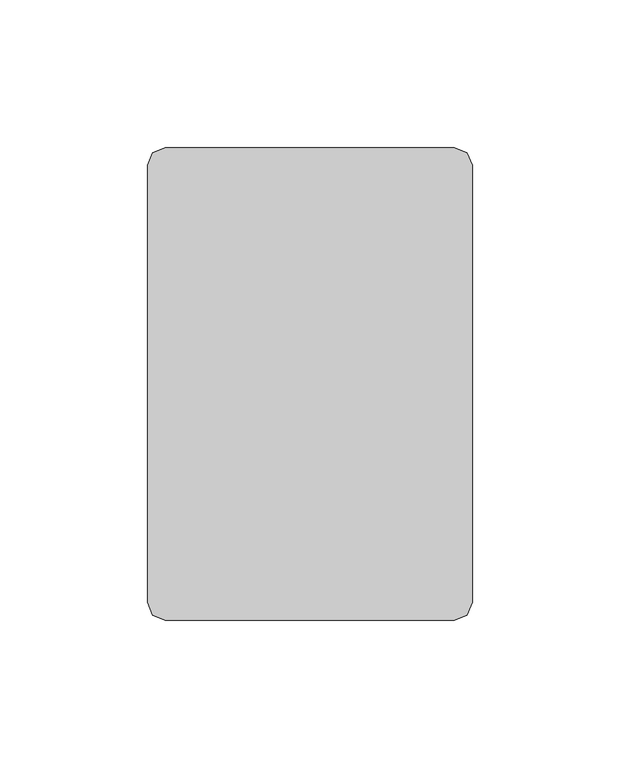
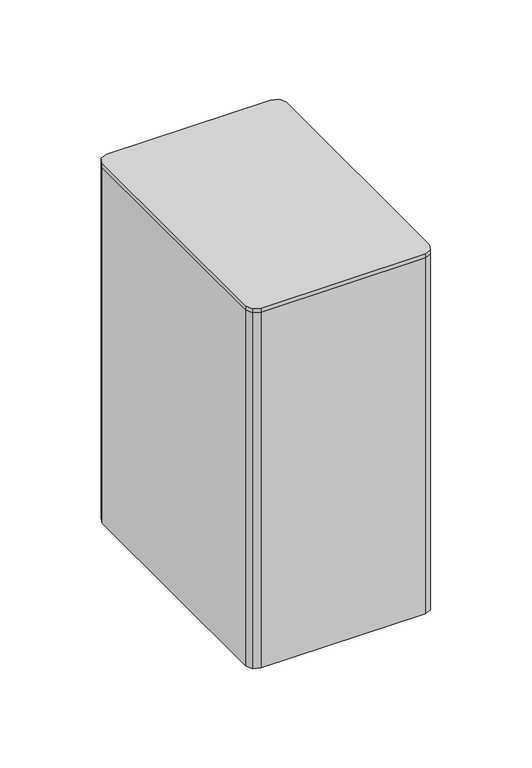
"""IFC4 building model written with IfcOpenShell, lengths in millimetres: furniture geometry."""

from ifc_helpers import new_model, si_unit, frame, origin, place, context, project, spatial, polyline, outline, extrude, faceted_brep, source, transform, mapped, element, save


def furniture_04398687(model_context):
    return source(origin(), model_context, "Body", "SolidModel", [
        extrude(outline(polyline([(-48.9999978, 80.0000042), (48.9999978, 80.0000042), (53.2426395, 78.2426442), (54.9999995, 73.999998), (54.9999995, -73.999998), (53.2426395, -78.2426442), (48.9999978, -80.0000042), (-48.9999978, -80.0000042), (-53.2426395, -78.2426442), (-54.9999995, -73.999998), (-54.9999995, 73.999998), (-53.2426395, 78.2426442), (-48.9999978, 80.0000042)])), frame((0.0, 0.0, 313.1950298), z_axis=(0.0, 0.0, 1.0), x_axis=(1.0, 0.0, 0.0)), (0.0, 0.0, 1.0), 2.659358),
        extrude(outline(polyline([(-48.9999978, 80.0000042), (48.9999978, 80.0000042), (53.2426395, 78.2426442), (54.9999995, 73.999998), (54.9999995, -73.999998), (53.2426395, -78.2426442), (48.9999978, -80.0000042), (-48.9999978, -80.0000042), (-53.2426395, -78.2426442), (-54.9999995, -73.999998), (-54.9999995, 73.999998), (-53.2426395, 78.2426442), (-48.9999978, 80.0000042)])), frame((0.0, 0.0, 88.6117178), z_axis=(0.0, 0.0, 1.0), x_axis=(1.0, 0.0, 0.0)), (0.0, 0.0, 1.0), 227.2426701),
        faceted_brep([(-11.0538266, 37.9523959, 313.1950298), (-12.4331176, 37.3481745, 313.1950298), (-13.0000002, 35.953122, 313.1950298), (-13.0000002, -35.953122, 313.1950298), (-12.4331176, -37.3481745, 313.1950298), (-11.0538266, -37.9523959, 313.1950298), (0.0, -38.2499999, 313.1950298), (11.0538266, -37.9523959, 313.1950298), (12.4331176, -37.3481745, 313.1950298), (13.0000002, -35.953122, 313.1950298), (13.0000002, 35.953122, 313.1950298), (12.4331176, 37.3481745, 313.1950298), (11.0538266, 37.9523959, 313.1950298), (0.0, 38.2499999, 313.1950298), (13.0000002, 32.3316861, 237.0089098), (13.0000002, 15.7670163, 237.0089098), (-13.0000002, 15.7670163, 237.0089098), (-13.0000002, 32.3316861, 237.0089098), (13.0000002, -15.7947705, 237.0089098), (13.0000002, -32.3457341, 237.0089098), (-13.0000002, -32.3457341, 237.0089098), (-13.0000002, -15.7947705, 237.0089098), (-11.0538266, 37.9523959, 240.1444742), (-12.4331176, 37.3481745, 240.1444742), (-13.0000002, 35.953122, 240.1444742), (-13.0000002, 32.3316861, 240.1444742), (-13.0000002, 13.5059639, 237.6223171), (-13.0000002, 11.7633025, 239.3435783), (-13.0000002, 11.147505, 241.7254824), (-13.0000002, 11.147505, 243.3444969), (-13.0000002, -11.1671157, 243.3444969), (-13.0000002, -11.1671157, 241.7142912), (-13.0000002, -11.7781419, 239.3488106), (-13.0000002, -13.5152418, 237.6244245), (-13.0000002, -32.3457341, 240.1444742), (-13.0000002, -35.953122, 240.1444742), (-12.4331176, -37.3481745, 240.1444742), (-11.0538266, -37.9523959, 240.1444742), (0.0, -38.2499999, 240.1444742), (11.0538266, -37.9523959, 240.1444742), (12.4331176, -37.3481745, 240.1444742), (13.0000002, -35.953122, 240.1444742), (13.0000002, -32.3457341, 240.1444742), (13.0000002, -13.5152418, 237.6244245), (13.0000002, -11.7781419, 239.3488106), (13.0000002, -11.1671157, 241.7142912), (13.0000002, -11.1671157, 243.3444969), (13.0000002, 11.147505, 243.3444969), (13.0000002, 11.147505, 241.7254824), (13.0000002, 11.7633025, 239.3435783), (13.0000002, 13.5059639, 237.6223171), (13.0000002, 32.3316861, 240.1444742), (13.0000002, 35.953122, 240.1444742), (12.4331176, 37.3481745, 240.1444742), (11.0538266, 37.9523959, 240.1444742), (0.0, 38.2499999, 240.1444742)], [[[0, 1, 2, 3, 4, 5, 6, 7, 8, 9, 10, 11, 12, 13]], [[14, 15, 16, 17]], [[18, 19, 20, 21]], [[1, 0, 22, 23]], [[2, 1, 23, 24]], [[3, 2, 24, 25, 17, 16, 26, 27, 28, 29, 30, 31, 32, 33, 21, 20, 34, 35]], [[4, 3, 35, 36]], [[5, 4, 36, 37]], [[6, 5, 37, 38]], [[7, 6, 38, 39]], [[8, 7, 39, 40]], [[9, 8, 40, 41]], [[10, 9, 41, 42, 19, 18, 43, 44, 45, 46, 47, 48, 49, 50, 15, 14, 51, 52]], [[11, 10, 52, 53]], [[12, 11, 53, 54]], [[13, 12, 54, 55]], [[0, 13, 55, 22]], [[34, 42, 41, 40, 39, 38, 37, 36, 35]], [[51, 25, 24, 23, 22, 55, 54, 53, 52]], [[25, 51, 14, 17]], [[50, 26, 16, 15]], [[26, 50, 49, 27]], [[27, 49, 48, 28]], [[28, 48, 47, 29]], [[29, 47, 46, 30]], [[30, 46, 45, 31]], [[31, 45, 44, 32]], [[32, 44, 43, 33]], [[33, 43, 18, 21]], [[42, 34, 20, 19]]]),
        extrude(outline(polyline([(-2.3807591, 10.3544041), (0.2588864, 11.8784049), (12.5772313, 11.8784049), (13.8970544, 9.5924048), (2.3807591, -10.3544041), (-0.2588864, -11.8784049), (-12.5772313, -11.8784049), (-13.8970544, -9.5924048), (-2.3807591, 10.3544041)])), frame((0.0, 0.0, 226.7712353), z_axis=(0.0, 0.0, 1.0), x_axis=(1.0, 0.0, 0.0)), (0.0, 0.0, 1.0), 6.3499758),
        extrude(outline(polyline([(-1.0271881, 3.8335182), (1.984375, 3.4370384), (3.8335182, 1.0271881), (3.4370384, -1.984375), (1.0271881, -3.8335182), (-1.984375, -3.4370384), (-3.8335182, -1.0271881), (-3.4370384, 1.984375), (-1.0271881, 3.8335182)])), frame((0.0, 0.0, 233.121211), z_axis=(0.0, 0.0, 1.0), x_axis=(1.0, 0.0, 0.0)), (0.0, 0.0, 1.0), 80.0738188),
    ])


if __name__ == "__main__":
    model = new_model("IFC4")
    model_context = context("Model", 3, world=origin())
    ifc_project = project(units=[si_unit("LENGTHUNIT", "METRE", prefix="MILLI")], contexts=[model_context])
    site = spatial("IfcSite", under=ifc_project)
    building = spatial("IfcBuilding", under=site)
    placement = place(None, origin())
    furniture_shape = furniture_04398687(model_context)
    element("IfcFurniture", 1, at=placement, inside=building, context=model_context, shape_type="MappedRepresentation", body=[
        mapped(furniture_shape, transform((0.0, 0.0, 0.0), x_axis=(1.0, 0.0, 0.0), y_axis=(0.0, 1.0, 0.0), z_axis=(0.0, 0.0, 1.0))),
    ])
    save(model, "model.ifc")
